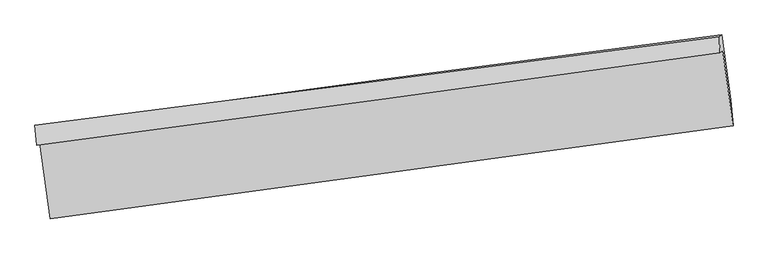
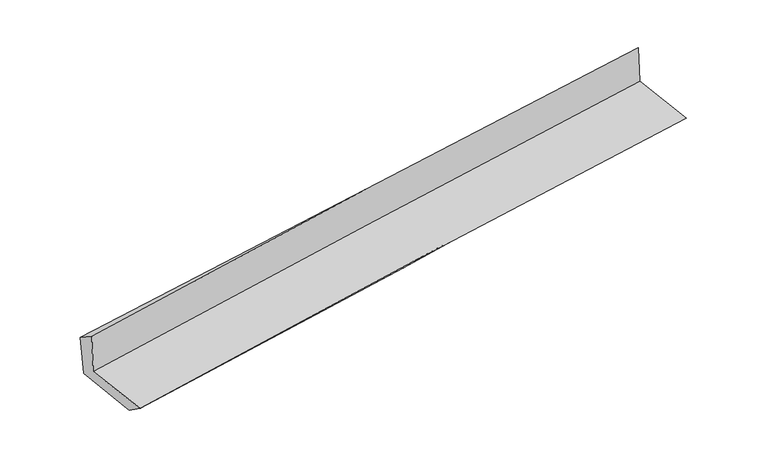
"""IFC4 building model written with IfcOpenShell, lengths in millimetres: proxy geometry."""

from ifc_helpers import new_model, si_unit, frame, origin, place, context, project, spatial, source, transform, mapped, element, save
from ifc_brep_helpers import plane_surface, spline_curve, spline_surface, advanced_brep


def generic_models_d558cf57(model_context):
    return source(origin(), model_context, "Body", "AdvancedBrep", [
        advanced_brep(
        [(-3000.2314865, -1907.699744, 1651.7019019), (-2908.8397365, -2569.649376, 1629.4759542), (3044.1620347, -1757.231902, 2138.8393091), (2954.3479197, -1103.8675607, 2164.3042292), (-3026.1240729, -1926.5295763, 2043.5044781), (2929.3187375, -1122.0695007, 2543.0419081), (-3041.8197897, -1752.1735268, 1933.983957), (2924.371945, -981.1340938, 2349.6996017), (-3012.5719171, -1760.4923412, 1546.6824539), (2945.4491511, -965.8061443, 2030.762609), (-2923.2458024, -2398.9927122, 1509.1031936), (3024.9191345, -1532.8001335, 1987.595006)],
        [
            (0, 1),
            (1, 2, spline_curve(3, [(-2908.8397365, -2569.649376, 1629.4759542), (-1917.467011216, -2435.098916037, 1727.579485407), (-925.655982957, -2300.116578273, 1819.081170407), (1058.678085932, -2029.310610524, 1988.866765604), (2051.200981905, -1893.487123416, 2067.152865326), (3044.1620347, -1757.231902, 2138.8393091)], [4, 2, 4], [0.0, 9.892858172889236, 19.784075341337477])),
            (2, 3),
            (3, 0, spline_curve(3, [(2954.3479197, -1103.8675607, 2164.3042292), (1961.651797551, -1241.422990855, 2089.819713073), (969.129930336, -1377.18131393, 2009.864591111), (-1015.729929372, -1645.125971534, 1838.998964116), (-2008.067864469, -1777.31170939, 1748.086643312), (-3000.2314865, -1907.699744, 1651.7019019)], [4, 2, 4], [0.0, 9.891217168448241, 19.784075341337477])),
            (4, 0),
            (3, 5),
            (5, 4, spline_curve(3, [(2929.3187375, -1122.0695007, 2543.0419081), (1935.804274013, -1260.220052035, 2480.940403737), (942.801263931, -1396.328276265, 2408.265862451), (-1042.346509049, -1664.482312566, 2241.756894142), (-2034.49110262, -1796.527447029, 2147.918958831), (-3026.1240729, -1926.5295763, 2043.5044781)], [4, 2, 4], [0.0, 9.89179047352879, 19.785222046612873])),
            (6, 4),
            (5, 7),
            (7, 6, spline_curve(3, [(2924.371945, -981.1340938, 2349.6996017), (1929.955883649, -1112.26414209, 2286.671741508), (935.606441888, -1242.077232125, 2220.517973651), (-1053.124158387, -1499.090813253, 2081.94712949), (-2047.505294974, -1626.290867877, 2009.529015607), (-3041.8197897, -1752.1735268, 1933.983957)], [4, 2, 4], [0.0, 9.891211320662382, 19.78406364479558])),
            (8, 6),
            (7, 9),
            (9, 8, spline_curve(3, [(2945.4491511, -965.8061443, 2030.762609), (1951.884817302, -1095.016937957, 1952.396492037), (958.642050963, -1225.840558029, 1872.876862567), (-1027.365078761, -1490.735421467, 1711.517193339), (-2020.129334715, -1624.807200741, 1629.676771431), (-3012.5719171, -1760.4923412, 1546.6824539)], [4, 2, 4], [0.0, 9.891087503412468, 19.783815989753826])),
            (10, 8),
            (9, 11),
            (11, 10, spline_curve(3, [(3024.9191345, -1532.8001335, 1987.595006), (2037.786545122, -1706.052790323, 1903.91385865), (1048.581125218, -1864.857045039, 1822.202111409), (-934.139832242, -2153.592699149, 1662.70418692), (-1927.656058327, -2283.519304059, 1584.918663692), (-2923.2458024, -2398.9927122, 1509.1031936)], [4, 2, 4], [0.0, 9.891106768724365, 19.783854523573837])),
            (1, 10),
            (11, 2),
        ],
        [
            spline_surface(3, 3, [[(-3000.2314865, -1907.699744, 1651.7019019), (-2008.067864408, -1777.311709395, 1748.086643396), (-1015.729929463, -1645.125971458, 1838.998964086), (969.129930426, -1377.181314005, 2009.864591141), (1961.651797552, -1241.422990852, 2089.819712932), (2954.3479197, -1103.8675607, 2164.3042292)], [(-2969.767569846, -2128.349621358, 1644.293252637), (-1977.867579969, -1996.57411158, 1741.250924057), (-985.705280662, -1863.456173739, 1832.359699569), (998.979315642, -1594.557746125, 2002.865315925), (1991.50152563, -1458.777701689, 2082.264097083), (2984.285958025, -1321.655674496, 2155.815922503)], [(-2939.303653154, -2348.999498642, 1636.884603463), (-1947.667295492, -2215.836513691, 1734.415204806), (-955.68063188, -2081.786376085, 1825.720435043), (1028.828700839, -1811.934178312, 1995.866040701), (2021.351253731, -1676.13241244, 2074.708481224), (3014.223996375, -1539.443788204, 2147.327615797)], [(-2908.8397365, -2569.649376, 1629.4759542), (-1917.467011053, -2435.098915875, 1727.579485467), (-925.655983079, -2300.116578365, 1819.081170526), (1058.678086054, -2029.310610432, 1988.866765485), (2051.200981808, -1893.487123277, 2067.152865375), (3044.1620347, -1757.231902, 2138.8393091)]], [4, 4], [4, 2, 4], [0.0, 2.165417639122242], [0.0, 9.892858172889236, 19.784075341337477]),
            spline_surface(3, 3, [[(-3026.1240729, -1926.5295763, 2043.5044781), (-2034.49110255, -1796.527446881, 2147.918958942), (-1042.346509147, -1664.482312547, 2241.756894236), (942.801264029, -1396.328276283, 2408.265862358), (1935.804274112, -1260.220052102, 2480.940403751), (2929.3187375, -1122.0695007, 2543.0419081)], [(-3017.493210766, -1920.25296551, 1912.903619382), (-2025.683356502, -1790.122201029, 2014.641520442), (-1033.474315907, -1658.030198846, 2107.504250869), (951.577486174, -1389.945955519, 2275.465438636), (1944.420115267, -1253.954364999, 2350.566840146), (2937.661798241, -1116.002187347, 2416.796015135)], [(-3008.862348634, -1913.97635479, 1782.302760618), (-2016.875610456, -1783.716955247, 1881.364081896), (-1024.602122704, -1651.57808516, 1973.251607452), (960.353708281, -1383.563634769, 2142.665014863), (1953.035956398, -1247.688677955, 2220.193276537), (2946.004858959, -1109.934874053, 2290.550122165)], [(-3000.2314865, -1907.699744, 1651.7019019), (-2008.067864408, -1777.311709395, 1748.086643396), (-1015.729929463, -1645.125971458, 1838.998964086), (969.129930426, -1377.181314005, 2009.864591141), (1961.651797552, -1241.422990852, 2089.819712932), (2954.3479197, -1103.8675607, 2164.3042292)]], [4, 4], [4, 2, 4], [0.0, 1.3186190375944458], [0.0, 9.893431573084083, 19.785222046612873]),
            spline_surface(3, 3, [[(-3041.8197897, -1752.1735268, 1933.983957), (-2047.505295003, -1626.290867737, 2009.529015569), (-1053.124158427, -1499.09081337, 2081.947129434), (935.606441929, -1242.077232007, 2220.517973707), (1929.955883555, -1112.264142067, 2286.671741406), (2924.371945, -981.1340938, 2349.6996017)], [(-3036.587884078, -1810.292209967, 1970.490797364), (-2043.16723083, -1683.036394119, 2055.658996691), (-1049.531608675, -1554.221313113, 2135.217051034), (938.004715955, -1293.494246783, 2283.100603257), (1931.905347071, -1161.582778749, 2351.427962173), (2926.02087583, -1028.112562771, 2414.147037152)], [(-3031.355978522, -1868.410893133, 2006.997637736), (-2038.829166724, -1739.781920499, 2101.788977821), (-1045.9390589, -1609.351812804, 2188.486972635), (940.402990004, -1344.911261507, 2345.683232808), (1933.854810596, -1210.901415419, 2416.184182983), (2927.66980667, -1075.091031729, 2478.594472648)], [(-3026.1240729, -1926.5295763, 2043.5044781), (-2034.49110255, -1796.527446881, 2147.918958942), (-1042.346509147, -1664.482312547, 2241.756894236), (942.801264029, -1396.328276283, 2408.265862358), (1935.804274112, -1260.220052102, 2480.940403751), (2929.3187375, -1122.0695007, 2543.0419081)]], [4, 4], [4, 2, 4], [0.0, 0.7751546988024661], [0.0, 9.892852324133198, 19.78406364479558]),
            spline_surface(3, 3, [[(-3012.5719171, -1760.4923412, 1546.6824539), (-2020.1293348, -1624.807200787, 1629.676771442), (-1027.365078615, -1490.735421631, 1711.517193499), (958.642050817, -1225.840557865, 1872.876862406), (1951.884817385, -1095.016938048, 1952.396492077), (2945.4491511, -965.8061443, 2030.762609)], [(-3022.321207987, -1757.71940309, 1675.782954936), (-2029.254654888, -1625.301756461, 1756.294186154), (-1035.951438568, -1493.520552207, 1834.993838809), (950.963514506, -1231.252782575, 1988.757232839), (1944.57517278, -1100.766006062, 2063.821575204), (2938.423415739, -970.915460808, 2137.074939918)], [(-3032.070498813, -1754.94646491, 1804.883455964), (-2038.379974915, -1625.796312064, 1882.911600857), (-1044.537798475, -1496.305682795, 1958.470484123), (943.28497824, -1236.665007297, 2104.637603275), (1937.265528159, -1106.515074053, 2175.246658278), (2931.397680361, -976.024777292, 2243.387270782)], [(-3041.8197897, -1752.1735268, 1933.983957), (-2047.505295003, -1626.290867737, 2009.529015569), (-1053.124158427, -1499.09081337, 2081.947129434), (935.606441929, -1242.077232007, 2220.517973707), (1929.955883555, -1112.264142067, 2286.671741406), (2924.371945, -981.1340938, 2349.6996017)]], [4, 4], [4, 2, 4], [0.0, 1.1813496856634627], [0.0, 9.892728486341358, 19.783815989753826]),
            spline_surface(3, 3, [[(-2923.2458024, -2398.9927122, 1509.1031936), (-1927.656058432, -2283.519304101, 1584.918663546), (-934.139832401, -2153.59269915, 1662.704187002), (1048.581125376, -1864.857045037, 1822.202111327), (2037.786545004, -1706.052790458, 1903.913858663), (3024.9191345, -1532.8001335, 1987.595006)], [(-2953.02117397, -2186.159255188, 1521.629613701), (-1958.480483891, -2063.948602985, 1599.838032846), (-965.214914452, -1932.640273301, 1678.975189152), (1018.601433877, -1651.851549304, 1839.093695005), (2009.152635797, -1502.374172998, 1920.074736452), (2998.429140033, -1343.80213711, 2001.984206984)], [(-2982.79654553, -1973.325798212, 1534.156033799), (-1989.304909341, -1844.377901904, 1614.757402142), (-996.289996564, -1711.68784748, 1695.246191349), (988.621742316, -1438.846053598, 1855.985278729), (1980.518726591, -1298.695555508, 1936.235614288), (2971.939145567, -1154.80414069, 2016.373408016)], [(-3012.5719171, -1760.4923412, 1546.6824539), (-2020.1293348, -1624.807200787, 1629.676771442), (-1027.365078615, -1490.735421631, 1711.517193499), (958.642050817, -1225.840557865, 1872.876862406), (1951.884817385, -1095.016938048, 1952.396492077), (2945.4491511, -965.8061443, 2030.762609)]], [4, 4], [4, 2, 4], [0.0, 2.1628255609141505], [0.0, 9.892747754849472, 19.783854523573837]),
            spline_surface(3, 3, [[(-2908.8397365, -2569.649376, 1629.4759542), (-1917.467011053, -2435.098915875, 1727.579485467), (-925.655983079, -2300.116578365, 1819.081170526), (1058.678086054, -2029.310610432, 1988.866765485), (2051.200981808, -1893.487123277, 2067.152865375), (3044.1620347, -1757.231902, 2138.8393091)], [(-2913.641758454, -2512.763821387, 1589.351700679), (-1920.863360166, -2384.572378604, 1680.025878173), (-928.483932869, -2251.275285317, 1766.955509348), (1055.312432479, -1974.492755324, 1933.311880763), (2046.729502871, -1831.009012306, 2012.739863145), (3037.747734631, -1682.421312469, 2088.424541408)], [(-2918.443780446, -2455.878266813, 1549.227447121), (-1924.259709318, -2334.045841373, 1632.47227084), (-931.311882611, -2202.433992198, 1714.829848179), (1051.946778952, -1919.674900145, 1877.75699605), (2042.258023941, -1768.530901429, 1958.326860893), (3031.333434569, -1607.610723031, 2038.009773692)], [(-2923.2458024, -2398.9927122, 1509.1031936), (-1927.656058432, -2283.519304101, 1584.918663546), (-934.139832401, -2153.59269915, 1662.704187002), (1048.581125376, -1864.857045037, 1822.202111327), (2037.786545004, -1706.052790458, 1903.913858663), (3024.9191345, -1532.8001335, 1987.595006)]], [4, 4], [4, 2, 4], [0.0, 0.7361907096218383], [0.0, 9.892483654499106, 19.78332636668146]),
            plane_surface(frame((2970.4281538, -1243.8182225, 2202.3737772), z_axis=(0.9885056023890555, 0.13308860970033298, 0.07172235365270192), x_axis=(-0.0658662690092837, -0.0478998422583423, 0.9966781023572369))),
            plane_surface(frame((-2985.4721342, -2052.5895461, 1719.0753231), z_axis=(-0.988373000073139, -0.13404978954976213, -0.07175978433696273), x_axis=(-0.13669155674420502, 0.990055729667984, 0.03324260017570098))),
        ],
        [
            (0, [[1, 2, 3, 4]]),
            (1, [[5, -4, 6, 7]]),
            (2, [[8, -7, 9, 10]]),
            (3, [[11, -10, 12, 13]]),
            (4, [[14, -13, 15, 16]]),
            (5, [[17, -16, 18, -2]]),
            (6, [[-12, -9, -6, -3, -18, -15]]),
            (7, [[-1, -5, -8, -11, -14, -17]]),
        ],
    ),
    ])


if __name__ == "__main__":
    model = new_model("IFC4")
    model_context = context("Model", 3, world=origin())
    ifc_project = project(units=[si_unit("LENGTHUNIT", "METRE", prefix="MILLI")], contexts=[model_context])
    site = spatial("IfcSite", under=ifc_project)
    building = spatial("IfcBuilding", under=site)
    placement = place(None, origin())
    generic_models_shape = generic_models_d558cf57(model_context)
    element("IfcBuildingElementProxy", 1, Name="Generic Models", at=placement, inside=building, context=model_context, shape_type="MappedRepresentation", body=[
        mapped(generic_models_shape, transform((0.0, 0.0, 0.0), x_axis=(1.0, 0.0, 0.0), y_axis=(0.0, 1.0, 0.0), z_axis=(0.0, 0.0, 1.0))),
    ])
    save(model, "model.ifc")
